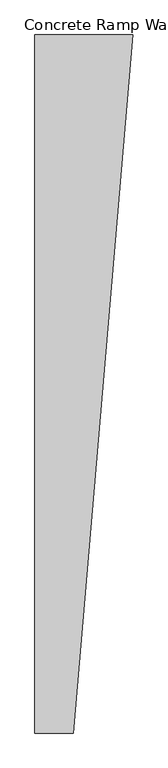
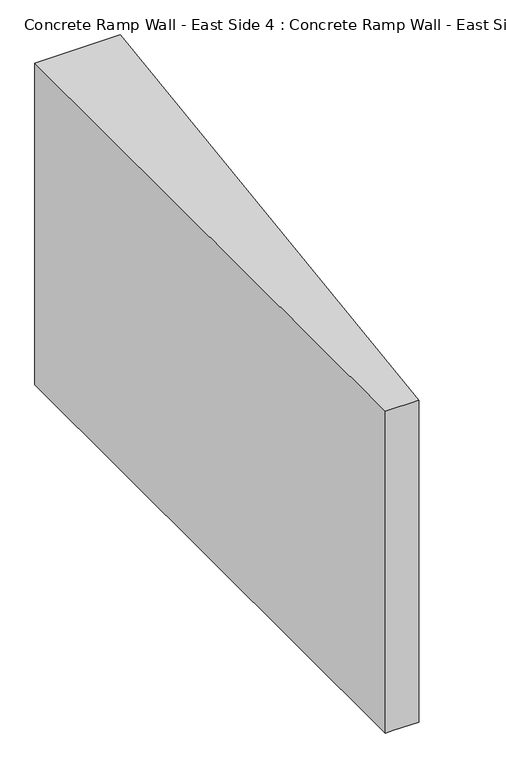
"""IFC4 building model written with IfcOpenShell, lengths in millimetres: beam geometry, Concrete Ramp Wall - East Side 4 : Concrete Ramp Wall - East Side 1."""

from ifc_helpers import new_model, si_unit, origin, place, context, project, spatial, faceted_brep, source, transform, mapped, element, save


def concrete_ramp_wall_east_side_4_concrete_ramp_wall_east_side_36054d40(model_context):
    return source(origin(), model_context, "Body", "Brep", [
        faceted_brep([(223146.6614093, 213663.2318341, 2340.0), (222332.5824212, 213663.2318341, 2340.0), (222332.5824212, 207863.2322067, 2340.0), (222650.0389512, 207863.2322067, 2340.0), (223146.6614093, 213663.2318341, -910.0), (222650.0389512, 207863.2322067, -910.0), (222409.916296, 207863.2322067, -910.0), (222332.5824212, 207863.2322067, -910.0), (222332.5824212, 213663.2318341, -910.0), (222917.3505118, 213663.2318341, -910.0), (223146.6614093, 213663.2318341, 2090.0), (222650.0389512, 207863.2322067, 2090.0)], [[[0, 1, 2, 3]], [[4, 5, 6, 7, 8, 9]], [[1, 0, 10, 4, 9, 8]], [[2, 1, 8, 7]], [[0, 3, 11, 5, 4, 10]], [[3, 2, 7, 6, 5, 11]]]),
    ])


if __name__ == "__main__":
    model = new_model("IFC4")
    model_context = context("Model", 3, world=origin())
    ifc_project = project(units=[si_unit("LENGTHUNIT", "METRE", prefix="MILLI")], contexts=[model_context])
    site = spatial("IfcSite", under=ifc_project)
    building = spatial("IfcBuilding", under=site)
    placement = place(None, origin())
    concrete_ramp_wall_east_side_4_concrete_ramp_wall_east_side_shape = concrete_ramp_wall_east_side_4_concrete_ramp_wall_east_side_36054d40(model_context)
    element("IfcBeam", 1, ObjectType="Concrete Ramp Wall - East Side 4 : Concrete Ramp Wall - East Side 1", at=placement, inside=building, context=model_context, shape_type="MappedRepresentation", body=[
        mapped(concrete_ramp_wall_east_side_4_concrete_ramp_wall_east_side_shape, transform((0.0, 0.0, 0.0), x_axis=(1.0, 0.0, 0.0), y_axis=(0.0, 1.0, 0.0), z_axis=(0.0, 0.0, 1.0))),
    ])
    save(model, "model.ifc")
